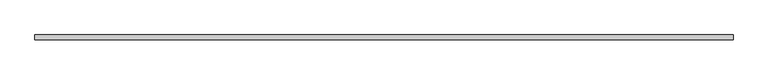
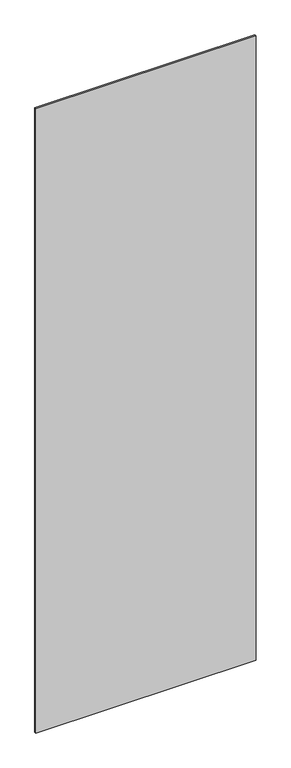
"""IFC4 building model written with IfcOpenShell, lengths in millimetres: plate geometry."""

from ifc_helpers import new_model, si_unit, origin, origin_with_axes, place, context, project, spatial, polyline, outline, extrude, source, transform, mapped, element, save


def plate_24a0d777(model_context):
    return source(origin(), model_context, "Body", "SweptSolid", [
        extrude(outline(polyline([(728.4635004, -5.0), (-728.4635004, -5.0), (-728.4635004, 5.0), (728.4635004, 5.0), (728.4635004, -5.0)])), origin_with_axes(), (0.0, 0.0, 1.0), 4360.0),
    ])


if __name__ == "__main__":
    model = new_model("IFC4")
    model_context = context("Model", 3, world=origin())
    ifc_project = project(units=[si_unit("LENGTHUNIT", "METRE", prefix="MILLI")], contexts=[model_context])
    site = spatial("IfcSite", under=ifc_project)
    building = spatial("IfcBuilding", under=site)
    placement = place(None, origin())
    plate_shape = plate_24a0d777(model_context)
    element("IfcPlate", 1, at=placement, inside=building, context=model_context, shape_type="MappedRepresentation", body=[
        mapped(plate_shape, transform((0.0, 0.0, 0.0), x_axis=(1.0, 0.0, 0.0), y_axis=(0.0, 1.0, 0.0), z_axis=(0.0, 0.0, 1.0))),
    ])
    save(model, "model.ifc")
